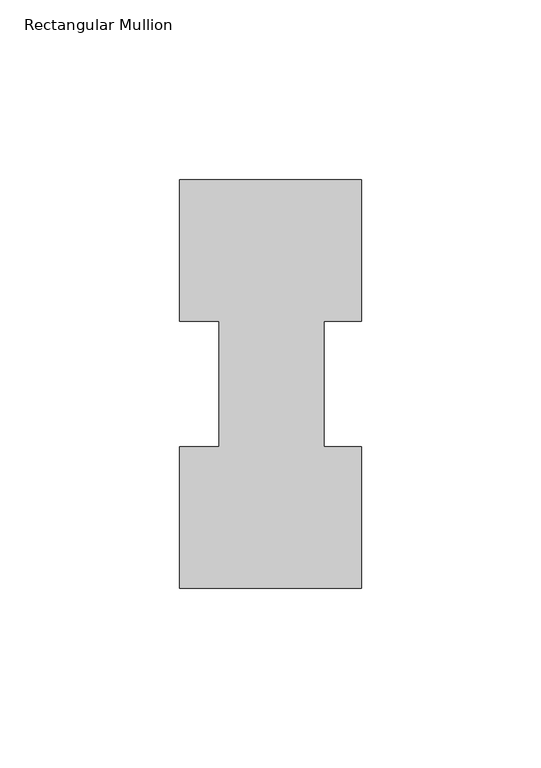
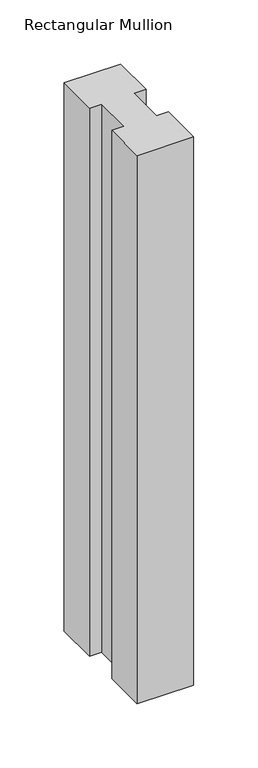
"""IFC4 building model written with IfcOpenShell, lengths in millimetres: member geometry, Rectangular Mullion."""

import ifcopenshell
import ifcopenshell.guid

model = None  # the IFC model being written
_history = None  # IfcOwnerHistory: only IFC2X3 demands one
_inside = {}  # id of a spatial element -> (the spatial element, [elements in it])
_under = {}  # id of a project, library or spatial element -> (it, [spatial elements below it])
_declared = {}  # id of a project -> (the project, [libraries it declares])
_typed = {}  # id of a type object -> (the type object, [elements of that type])
_made_of = {}  # id of a material, layer set ... -> (it, [elements and type objects made of it])


def new_model(schema):
    """Start an empty IFC model of exactly this schema.

    Asked for "IFC4X3", IfcOpenShell would pick the latest addendum, in which some entities
    have other attributes; the version numbers below select the first issue.
    IFC2X3 requires an IfcOwnerHistory on every rooted entity: one is made here for all.
    """
    global model, _history
    if schema == "IFC4X3":
        model = ifcopenshell.file(schema_version=(4, 3, 0, 0))
    else:
        model = ifcopenshell.file(schema=schema)
    _inside.clear()
    _under.clear()
    _declared.clear()
    _typed.clear()
    _made_of.clear()
    _history = None
    if model.schema == "IFC2X3":
        org = make("IfcOrganization", Name="unknown")
        user = make(
            "IfcPersonAndOrganization",
            ThePerson=make("IfcPerson", FamilyName="unknown"),
            TheOrganization=org,
        )
        app = make(
            "IfcApplication",
            ApplicationDeveloper=org,
            Version="unknown",
            ApplicationFullName="unknown",
            ApplicationIdentifier="unknown",
        )
        _history = make(
            "IfcOwnerHistory",
            OwningUser=user,
            OwningApplication=app,
            ChangeAction="ADDED",
            CreationDate=0,
        )
    return model


def make(cls, **values):
    """One entity of the class cls with the attributes given. An attribute that is None is left unset."""
    return model.create_entity(
        cls, **{name: value for name, value in values.items() if value is not None}
    )


def rooted(cls, **values):
    """An entity with a GlobalId (a new one), such as an element, a storey or a relation."""
    return make(cls, GlobalId=ifcopenshell.guid.new(), OwnerHistory=_history, **values)


def si_unit(unit_type, name, prefix=None):
    """IfcSIUnit, for example si_unit("LENGTHUNIT", "METRE", prefix="MILLI")."""
    return make("IfcSIUnit", UnitType=unit_type, Prefix=prefix, Name=name)


def assignment(units):
    """IfcUnitAssignment: the units of a project."""
    return None if units is None else make("IfcUnitAssignment", Units=units)


def point(xyz):
    """IfcCartesianPoint."""
    return None if xyz is None else make("IfcCartesianPoint", Coordinates=xyz)


def direction(xyz):
    """IfcDirection."""
    return None if xyz is None else make("IfcDirection", DirectionRatios=xyz)


def frame(location, z_axis=None, x_axis=None):
    """IfcAxis2Placement3D, a coordinate frame: its origin and axes. An axis left out is left unset."""
    return make(
        "IfcAxis2Placement3D",
        Location=point(location),
        Axis=direction(z_axis),
        RefDirection=direction(x_axis),
    )


def origin():
    """The frame at (0, 0, 0) with its axes left unset."""
    return frame((0.0, 0.0, 0.0))


def place(relative_to, where):
    """IfcLocalPlacement: puts the frame where relative to a parent placement (None: the world)."""
    return make(
        "IfcLocalPlacement", PlacementRelTo=relative_to, RelativePlacement=where
    )


def context(
    kind, dimensions, precision=None, world=None, true_north=None, identifier=None
):
    """IfcGeometricRepresentationContext, for example the 3D "Model" context."""
    return make(
        "IfcGeometricRepresentationContext",
        ContextIdentifier=identifier,
        ContextType=kind,
        CoordinateSpaceDimension=dimensions,
        Precision=precision,
        WorldCoordinateSystem=world,
        TrueNorth=true_north,
    )


def project(units=None, contexts=None):
    """IfcProject with its units and contexts."""
    return rooted(
        "IfcProject",
        Name="project",
        RepresentationContexts=contexts,
        UnitsInContext=assignment(units),
    )


def spatial(cls, under=None, at=None, **own):
    """A site, building, storey or space (cls), placed at a placement, below another one or the project."""
    s = rooted(cls, ObjectPlacement=at, **own)
    if under is not None:
        _under.setdefault(under.id(), (under, []))[1].append(s)
    return s


def polyline(points):
    """IfcPolyline through the points."""
    return make("IfcPolyline", Points=[point(p) for p in points])


def outline(outer, holes=None, kind="AREA"):
    """IfcArbitraryClosedProfileDef: a profile drawn as a closed curve; with holes, ...WithVoids."""
    if holes is None:
        return make("IfcArbitraryClosedProfileDef", ProfileType=kind, OuterCurve=outer)
    return make(
        "IfcArbitraryProfileDefWithVoids",
        ProfileType=kind,
        OuterCurve=outer,
        InnerCurves=holes,
    )


def extrude(swept, where, along, depth):
    """IfcExtrudedAreaSolid: the profile swept, set in the frame where, extruded along a direction by depth."""
    return make(
        "IfcExtrudedAreaSolid",
        SweptArea=swept,
        Position=where,
        ExtrudedDirection=direction(along),
        Depth=depth,
    )


def shape(context_of_items, identifier, shape_type, items):
    """IfcShapeRepresentation: the items that make up one representation, for example the "Body"."""
    return make(
        "IfcShapeRepresentation",
        ContextOfItems=context_of_items,
        RepresentationIdentifier=identifier,
        RepresentationType=shape_type,
        Items=items,
    )


def source(mapping_origin, context_of_items, identifier, shape_type, items):
    """IfcRepresentationMap: a shape defined once, which mapped items show again and again."""
    return make(
        "IfcRepresentationMap",
        MappingOrigin=mapping_origin,
        MappedRepresentation=shape(context_of_items, identifier, shape_type, items),
    )


def transform(
    local_origin,
    x_axis=None,
    y_axis=None,
    z_axis=None,
    scale=None,
    scale2=None,
    scale3=None,
    uniform=True,
):
    """IfcCartesianTransformationOperator3D, or its non-uniform kind. x_axis, y_axis, z_axis: its Axis1, 2, 3."""
    if uniform:
        return make(
            "IfcCartesianTransformationOperator3D",
            Axis1=direction(x_axis),
            Axis2=direction(y_axis),
            LocalOrigin=point(local_origin),
            Scale=scale,
            Axis3=direction(z_axis),
        )
    return make(
        "IfcCartesianTransformationOperator3DnonUniform",
        Axis1=direction(x_axis),
        Axis2=direction(y_axis),
        LocalOrigin=point(local_origin),
        Scale=scale,
        Axis3=direction(z_axis),
        Scale2=scale2,
        Scale3=scale3,
    )


def mapped(mapping_source, mapping_target):
    """IfcMappedItem: shows the shape of a source again, moved by a transform."""
    return make(
        "IfcMappedItem", MappingSource=mapping_source, MappingTarget=mapping_target
    )


def made_of(thing, what):
    """Note that an element or type object is made of a material, layer set ...; save() writes the relation."""
    if what is not None:
        _made_of.setdefault(what.id(), (what, []))[1].append(thing)
    return thing


def element(
    cls,
    number,
    at=None,
    inside=None,
    cuts=None,
    type_object=None,
    material=None,
    context=None,
    identifier="Body",
    shape_type=None,
    held_by="IfcProductDefinitionShape",
    body=None,
    shapes=None,
    **own,
):
    """One element of the class cls, such as IfcWall. Its Tag is "e" and its number.

    at: its placement. inside: the storey or other place that contains it. cuts: it is an
    opening in that element (IfcRelVoidsElement). A single representation is given by context,
    identifier, shape_type and body (its items); several are given by shapes. held_by: the class
    of the entity that holds the representations. save() writes the other relations.
    """
    e = rooted(cls, Tag="e%d" % number, ObjectPlacement=at, **own)
    if body is not None:
        shapes = [shape(context, identifier, shape_type, body)]
    if shapes is not None:
        e.Representation = make(held_by, Representations=shapes)
    if inside is not None:
        _inside.setdefault(inside.id(), (inside, []))[1].append(e)
    if cuts is not None:
        rooted(
            "IfcRelVoidsElement", RelatingBuildingElement=cuts, RelatedOpeningElement=e
        )
    if type_object is not None:
        _typed.setdefault(type_object.id(), (type_object, []))[1].append(e)
    return made_of(e, material)


def aggregate(whole, parts):
    """IfcRelAggregates: a whole, such as a stair, and the parts it consists of."""
    return rooted("IfcRelAggregates", RelatingObject=whole, RelatedObjects=parts)


def save(model, path):
    """Write the relations noted so far, then the file.

    IfcRelAggregates (storeys below a building ...), IfcRelContainedInSpatialStructure (elements
    in a storey), IfcRelDefinesByType, IfcRelAssociatesMaterial and IfcRelDeclares: one each for
    every whole, place, type object, material and project.
    """
    for whole, parts in _under.values():
        aggregate(whole, parts)
    for where, things in _inside.values():
        rooted(
            "IfcRelContainedInSpatialStructure",
            RelatedElements=things,
            RelatingStructure=where,
        )
    for kind, things in _typed.values():
        rooted("IfcRelDefinesByType", RelatedObjects=things, RelatingType=kind)
    for what, things in _made_of.values():
        rooted("IfcRelAssociatesMaterial", RelatedObjects=things, RelatingMaterial=what)
    for by, libraries in _declared.values():
        rooted("IfcRelDeclares", RelatingContext=by, RelatedDefinitions=libraries)
    model.write(path)


def rectangular_mullion_a9f4fcc3(model_context):
    return source(origin(), model_context, "Body", "SweptSolid", [
        extrude(outline(polyline([(-50.8, 114.017425), (0.0, 114.017425), (0.0, 74.596625), (-10.5663987, 74.596625), (-10.5663987, 39.620825), (0.0, 39.620825), (0.0, 0.225425), (-50.8, 0.225425), (-50.8, 39.620825), (-39.6875, 39.620825), (-39.6875, 74.596625), (-50.8, 74.596625), (-50.8, 114.017425)])), frame((0.0, 0.0, -520.6865062), z_axis=(0.0, 0.0, 1.0), x_axis=(1.0, 0.0, 0.0)), (0.0, 0.0, 1.0), 520.6865062),
    ])


if __name__ == "__main__":
    model = new_model("IFC4")
    model_context = context("Model", 3, world=origin())
    ifc_project = project(units=[si_unit("LENGTHUNIT", "METRE", prefix="MILLI")], contexts=[model_context])
    site = spatial("IfcSite", under=ifc_project)
    building = spatial("IfcBuilding", under=site)
    placement = place(None, origin())
    rectangular_mullion_shape = rectangular_mullion_a9f4fcc3(model_context)
    element("IfcMember", 1, ObjectType="Rectangular Mullion", at=placement, inside=building, context=model_context, shape_type="MappedRepresentation", body=[
        mapped(rectangular_mullion_shape, transform((0.0, 0.0, 0.0), x_axis=(1.0, 0.0, 0.0), y_axis=(0.0, 1.0, 0.0), z_axis=(0.0, 0.0, 1.0))),
    ])
    save(model, "model.ifc")
